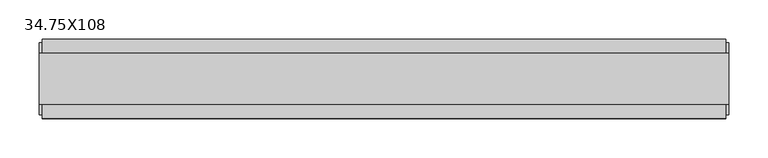
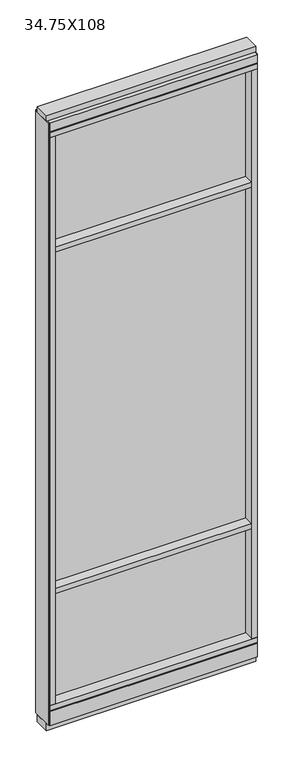
"""IFC4 building model written with IfcOpenShell, lengths in millimetres: furniture geometry, 34.75X108."""

from ifc_helpers import new_model, si_unit, frame, origin, origin_with_axes, place, context, project, spatial, polyline, outline, extrude, source, transform, mapped, element, save


def furniture_34_75x108_c0ce493f(model_context):
    return source(origin(), model_context, "Body", "SweptSolid", [
        extrude(outline(polyline([(-475.1995229, 0.5622784), (355.1264771, 0.5622784), (355.1264771, -9.5977216), (-475.1995229, -9.5977216), (-475.1995229, 0.5622784)])), frame((0.0, 0.0, 2155.825), z_axis=(0.0, 0.0, 1.0), x_axis=(1.0, 0.0, 0.0)), (0.0, 0.0, 1.0), 498.475),
        extrude(outline(polyline([(-475.1995229, 0.5622784), (355.1264771, 0.5622784), (355.1264771, -9.5977216), (-475.1995229, -9.5977216), (-475.1995229, 0.5622784)])), frame((0.0, 0.0, 631.825), z_axis=(0.0, 0.0, 1.0), x_axis=(1.0, 0.0, 0.0)), (0.0, 0.0, 1.0), 1501.775),
        extrude(outline(polyline([(-475.1995229, -52.3332216), (-475.1995229, 43.2977784), (355.1264771, 43.2977784), (355.1264771, -52.3332216), (-475.1995229, -52.3332216)])), frame((0.0, 0.0, 2133.6), z_axis=(0.0, 0.0, 1.0), x_axis=(1.0, 0.0, 0.0)), (0.0, 0.0, 1.0), 22.225),
        extrude(outline(polyline([(-475.1995229, -52.3332216), (-475.1995229, 43.2977784), (355.1264771, 43.2977784), (355.1264771, -52.3332216), (-475.1995229, -52.3332216)])), frame((0.0, 0.0, 609.6), z_axis=(0.0, 0.0, 1.0), x_axis=(1.0, 0.0, 0.0)), (0.0, 0.0, 1.0), 22.225),
        extrude(outline(polyline([(355.1264771, -9.5977216), (-475.1995229, -9.5977216), (-475.1995229, 0.5622784), (355.1264771, 0.5622784), (355.1264771, -9.5977216)])), frame((0.0, 0.0, 120.523), z_axis=(0.0, 0.0, 1.0), x_axis=(1.0, 0.0, 0.0)), (0.0, 0.0, 1.0), 489.077),
        extrude(outline(polyline([(-55.3177216, 93.345), (-50.3647216, 93.345), (-50.3647216, 98.298), (41.3292784, 98.298), (41.3292784, 93.345), (46.2822784, 93.345), (46.2822784, 31.75), (-55.3177216, 31.75), (-55.3177216, 93.345)])), frame((-497.4245229, 0.0, 0.0), z_axis=(1.0, 0.0, 0.0), x_axis=(0.0, 1.0, 0.0)), (0.0, 0.0, 1.0), 874.776),
        extrude(outline(polyline([(-497.4245229, -55.3177216), (-497.4245229, 46.2822784), (377.3514771, 46.2822784), (377.3514771, -55.3177216), (-497.4245229, -55.3177216)])), frame((0.0, 0.0, 98.298), z_axis=(0.0, 0.0, 1.0), x_axis=(1.0, 0.0, 0.0)), (0.0, 0.0, 1.0), 22.225),
        extrude(outline(polyline([(381.2884771, 27.9942784), (381.2884771, -37.0297216), (-501.3615229, -37.0297216), (-501.3615229, 27.9942784), (381.2884771, 27.9942784)])), origin_with_axes(), (0.0, 0.0, 1.0), 31.75),
        extrude(outline(polyline([(-501.3615229, -37.0297216), (-501.3615229, 27.9942784), (381.2884771, 27.9942784), (381.2884771, -37.0297216), (-501.3615229, -37.0297216)])), frame((0.0, 0.0, 2717.8), z_axis=(0.0, 0.0, 1.0), x_axis=(1.0, 0.0, 0.0)), (0.0, 0.0, 1.0), 25.4),
        extrude(outline(polyline([(-55.3177216, 2681.478), (-55.3177216, 2717.8), (46.2822784, 2717.8), (46.2822784, 2681.478), (41.3292784, 2681.478), (41.3292784, 2676.525), (-50.3647216, 2676.525), (-50.3647216, 2681.478), (-55.3177216, 2681.478)])), frame((-497.4245229, 0.0, 0.0), z_axis=(1.0, 0.0, 0.0), x_axis=(0.0, 1.0, 0.0)), (0.0, 0.0, 1.0), 874.776),
        extrude(outline(polyline([(377.3514771, 46.2822784), (377.3514771, -55.3177216), (-497.4245229, -55.3177216), (-497.4245229, 46.2822784), (377.3514771, 46.2822784)])), frame((0.0, 0.0, 2654.3), z_axis=(0.0, 0.0, 1.0), x_axis=(1.0, 0.0, 0.0)), (0.0, 0.0, 1.0), 22.225),
        extrude(outline(polyline([(355.1264771, -55.3177216), (355.1264771, 46.2822784), (377.3514771, 46.2822784), (377.3514771, -55.3177216), (355.1264771, -55.3177216)])), frame((0.0, 0.0, 120.523), z_axis=(0.0, 0.0, 1.0), x_axis=(1.0, 0.0, 0.0)), (0.0, 0.0, 1.0), 2533.777),
        extrude(outline(polyline([(-475.1995229, -55.3177216), (-497.4245229, -55.3177216), (-497.4245229, 46.2822784), (-475.1995229, 46.2822784), (-475.1995229, -55.3177216)])), frame((0.0, 0.0, 120.523), z_axis=(0.0, 0.0, 1.0), x_axis=(1.0, 0.0, 0.0)), (0.0, 0.0, 1.0), 2533.777),
        extrude(outline(polyline([(381.2884771, -50.3647216), (377.3514771, -50.3647216), (377.3514771, 41.3292784), (381.2884771, 41.3292784), (381.2884771, -50.3647216)])), frame((0.0, 0.0, 31.75), z_axis=(0.0, 0.0, 1.0), x_axis=(1.0, 0.0, 0.0)), (0.0, 0.0, 1.0), 2686.05),
        extrude(outline(polyline([(-501.3615229, -50.3647216), (-501.3615229, 41.3292784), (-497.4245229, 41.3292784), (-497.4245229, -50.3647216), (-501.3615229, -50.3647216)])), frame((0.0, 0.0, 31.75), z_axis=(0.0, 0.0, 1.0), x_axis=(1.0, 0.0, 0.0)), (0.0, 0.0, 1.0), 2686.05),
    ])


if __name__ == "__main__":
    model = new_model("IFC4")
    model_context = context("Model", 3, world=origin())
    ifc_project = project(units=[si_unit("LENGTHUNIT", "METRE", prefix="MILLI")], contexts=[model_context])
    site = spatial("IfcSite", under=ifc_project)
    building = spatial("IfcBuilding", under=site)
    placement = place(None, origin())
    furniture_34_75x108_shape = furniture_34_75x108_c0ce493f(model_context)
    element("IfcFurniture", 1, ObjectType="34.75X108", at=placement, inside=building, context=model_context, shape_type="MappedRepresentation", body=[
        mapped(furniture_34_75x108_shape, transform((0.0, 0.0, 0.0), x_axis=(1.0, 0.0, 0.0), y_axis=(0.0, 1.0, 0.0), z_axis=(0.0, 0.0, 1.0))),
    ])
    save(model, "model.ifc")
